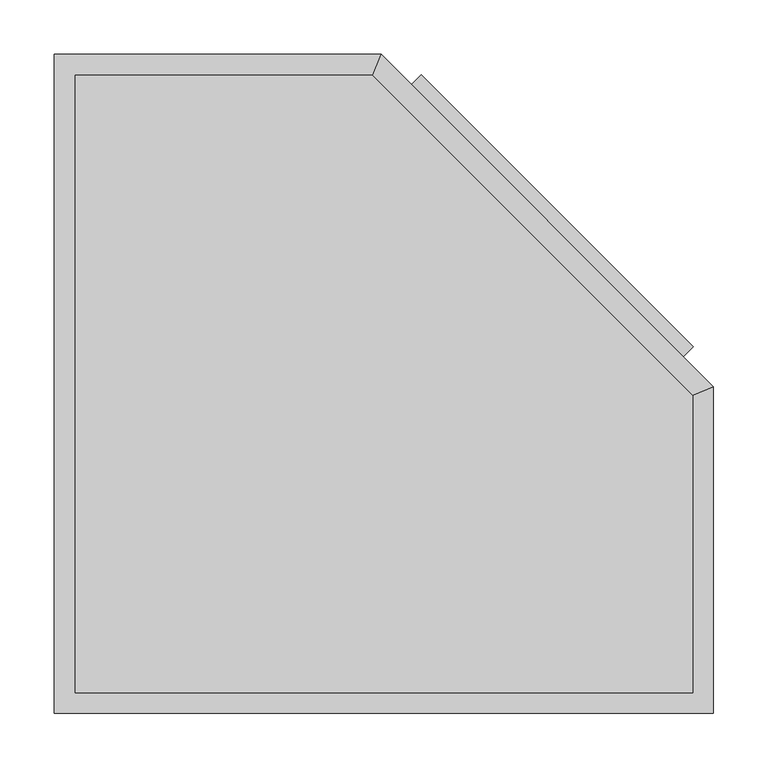
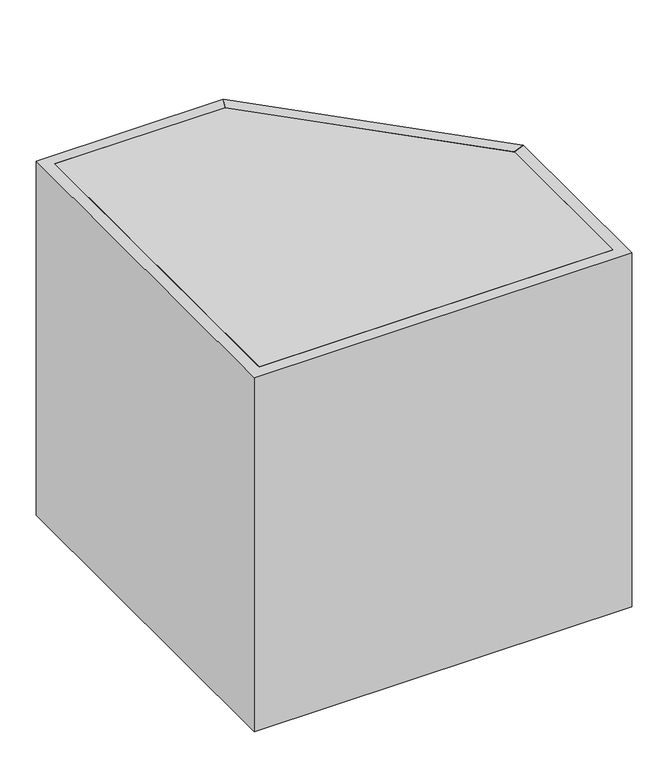
"""IFC4 building model written with IfcOpenShell, lengths in millimetres: furniture geometry."""

from ifc_helpers import new_model, si_unit, frame, origin, place, context, project, spatial, polyline, outline, extrude, faceted_brep, source, transform, mapped, element, save


def furniture_3be3edff(model_context):
    return source(origin(), model_context, "Body", "SolidModel", [
        extrude(outline(polyline([(295.0625715, 658.5691036), (544.4402664, 409.1914087), (526.4797541, 391.2308964), (277.1020592, 640.6085913), (295.0625715, 658.5691036)])), frame((0.0, 0.0, 1457.15), z_axis=(0.0, 0.0, 1.0), x_axis=(1.0, 0.0, 0.0)), (0.0, 0.0, 1.0), 485.7),
        faceted_brep([(258.3711628, 677.3, 1400.0), (563.1711628, 372.5, 1400.0), (544.1211628, 364.6092316, 1400.0), (250.4803944, 658.25, 1400.0), (258.3711628, 677.3, 2000.0), (250.4803944, 658.25, 2000.0), (544.1211628, 364.6092316, 2000.0), (563.1711628, 372.5, 2000.0), (535.4600102, 400.2111525, 1942.85), (286.0823153, 649.5888475, 1942.85), (286.0823153, 649.5888475, 1457.15), (535.4600102, 400.2111525, 1457.15), (272.6119312, 636.1184633, 1942.85), (521.9896261, 386.7407684, 1942.85), (521.9896261, 386.7407684, 1457.15), (272.6119312, 636.1184633, 1457.15)], [[[0, 1, 2, 3]], [[4, 5, 6, 7]], [[1, 0, 4, 7], [8, 9, 10, 11]], [[2, 1, 7, 6]], [[3, 2, 6, 5], [12, 13, 14, 15]], [[0, 3, 5, 4]], [[8, 13, 12, 9]], [[10, 15, 14, 11]], [[9, 12, 15, 10]], [[13, 8, 11, 14]]]),
        extrude(outline(polyline([(-22.5788372, 658.25), (250.4803944, 658.25), (544.1211628, 364.6092316), (544.1211628, 91.55), (-22.5788372, 91.55), (-22.5788372, 658.25)])), frame((0.0, 0.0, 1974.6), z_axis=(0.0, 0.0, 1.0), x_axis=(1.0, 0.0, 0.0)), (0.0, 0.0, 1.0), 25.4),
        extrude(outline(polyline([(-22.5788372, 658.25), (250.4803944, 658.25), (544.1211628, 364.6092316), (544.1211628, 91.55), (-22.5788372, 91.55), (-22.5788372, 658.25)])), frame((0.0, 0.0, 1400.0), z_axis=(0.0, 0.0, 1.0), x_axis=(1.0, 0.0, 0.0)), (0.0, 0.0, 1.0), 25.4),
        extrude(outline(polyline([(-41.6288372, 677.3), (258.3711628, 677.3), (250.4803944, 658.25), (-22.5788372, 658.25), (-22.5788372, 91.55), (544.1211628, 91.55), (544.1211628, 364.6092316), (563.1711628, 372.5), (563.1711628, 72.5), (-41.6288372, 72.5), (-41.6288372, 677.3)])), frame((0.0, 0.0, 1400.0), z_axis=(0.0, 0.0, 1.0), x_axis=(1.0, 0.0, 0.0)), (0.0, 0.0, 1.0), 600.0),
    ])


if __name__ == "__main__":
    model = new_model("IFC4")
    model_context = context("Model", 3, world=origin())
    ifc_project = project(units=[si_unit("LENGTHUNIT", "METRE", prefix="MILLI")], contexts=[model_context])
    site = spatial("IfcSite", under=ifc_project)
    building = spatial("IfcBuilding", under=site)
    placement = place(None, origin())
    furniture_shape = furniture_3be3edff(model_context)
    element("IfcFurniture", 1, at=placement, inside=building, context=model_context, shape_type="MappedRepresentation", body=[
        mapped(furniture_shape, transform((0.0, 0.0, 0.0), x_axis=(1.0, 0.0, 0.0), y_axis=(0.0, 1.0, 0.0), z_axis=(0.0, 0.0, 1.0))),
    ])
    save(model, "model.ifc")
